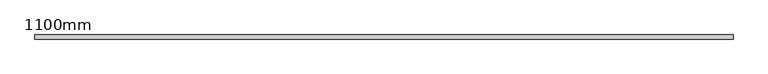
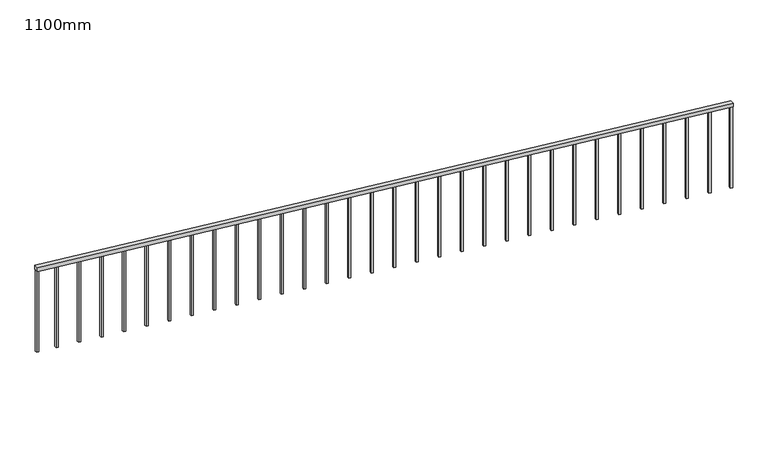
"""IFC4 building model written with IfcOpenShell, lengths in millimetres: railing geometry, 1100mm."""

from ifc_helpers import new_model, si_unit, frame, origin, place, context, project, spatial, polyline, outline, extrude, source, transform, mapped, element, save


def railing_1100mm_4eca1339(model_context):
    return source(origin(), model_context, "Body", "SweptSolid", [
        extrude(outline(polyline([(1049.7506219, -307210.1057122), (1100.0, -307210.1057122), (1950.0, -315710.1057122), (1899.7506219, -315710.1057122), (1049.7506219, -307210.1057122)])), frame((0.0, -95173.1605573, 0.0), z_axis=(0.0, 1.0, 0.0), x_axis=(0.0, 0.0, 1.0)), (0.0, 0.0, 1.0), 50.0),
        extrude(outline(polyline([(823.75, -315447.6057122), (1873.5006219, -315447.6057122), (1876.0006219, -315472.6057122), (826.25, -315472.6057122), (823.75, -315447.6057122)])), frame((0.0, -95160.6605573, 0.0), z_axis=(0.0, 1.0, 0.0), x_axis=(0.0, 0.0, 1.0)), (0.0, 0.0, 1.0), 25.0),
        extrude(outline(polyline([(796.25, -315172.6057122), (1846.0006219, -315172.6057122), (1848.5006219, -315197.6057122), (798.75, -315197.6057122), (796.25, -315172.6057122)])), frame((0.0, -95160.6605573, 0.0), z_axis=(0.0, 1.0, 0.0), x_axis=(0.0, 0.0, 1.0)), (0.0, 0.0, 1.0), 25.0),
        extrude(outline(polyline([(768.75, -314897.6057122), (1818.5006219, -314897.6057122), (1821.0006219, -314922.6057122), (771.25, -314922.6057122), (768.75, -314897.6057122)])), frame((0.0, -95160.6605573, 0.0), z_axis=(0.0, 1.0, 0.0), x_axis=(0.0, 0.0, 1.0)), (0.0, 0.0, 1.0), 25.0),
        extrude(outline(polyline([(741.25, -314622.6057122), (1791.0006219, -314622.6057122), (1793.5006219, -314647.6057122), (743.75, -314647.6057122), (741.25, -314622.6057122)])), frame((0.0, -95160.6605573, 0.0), z_axis=(0.0, 1.0, 0.0), x_axis=(0.0, 0.0, 1.0)), (0.0, 0.0, 1.0), 25.0),
        extrude(outline(polyline([(713.75, -314347.6057122), (1763.5006219, -314347.6057122), (1766.0006219, -314372.6057122), (716.25, -314372.6057122), (713.75, -314347.6057122)])), frame((0.0, -95160.6605573, 0.0), z_axis=(0.0, 1.0, 0.0), x_axis=(0.0, 0.0, 1.0)), (0.0, 0.0, 1.0), 25.0),
        extrude(outline(polyline([(686.25, -314072.6057122), (1736.0006219, -314072.6057122), (1738.5006219, -314097.6057122), (688.75, -314097.6057122), (686.25, -314072.6057122)])), frame((0.0, -95160.6605573, 0.0), z_axis=(0.0, 1.0, 0.0), x_axis=(0.0, 0.0, 1.0)), (0.0, 0.0, 1.0), 25.0),
        extrude(outline(polyline([(658.75, -313797.6057122), (1708.5006219, -313797.6057122), (1711.0006219, -313822.6057122), (661.25, -313822.6057122), (658.75, -313797.6057122)])), frame((0.0, -95160.6605573, 0.0), z_axis=(0.0, 1.0, 0.0), x_axis=(0.0, 0.0, 1.0)), (0.0, 0.0, 1.0), 25.0),
        extrude(outline(polyline([(631.25, -313522.6057122), (1681.0006219, -313522.6057122), (1683.5006219, -313547.6057122), (633.75, -313547.6057122), (631.25, -313522.6057122)])), frame((0.0, -95160.6605573, 0.0), z_axis=(0.0, 1.0, 0.0), x_axis=(0.0, 0.0, 1.0)), (0.0, 0.0, 1.0), 25.0),
        extrude(outline(polyline([(603.75, -313247.6057122), (1653.5006219, -313247.6057122), (1656.0006219, -313272.6057122), (606.25, -313272.6057122), (603.75, -313247.6057122)])), frame((0.0, -95160.6605573, 0.0), z_axis=(0.0, 1.0, 0.0), x_axis=(0.0, 0.0, 1.0)), (0.0, 0.0, 1.0), 25.0),
        extrude(outline(polyline([(576.25, -312972.6057122), (1626.0006219, -312972.6057122), (1628.5006219, -312997.6057122), (578.75, -312997.6057122), (576.25, -312972.6057122)])), frame((0.0, -95160.6605573, 0.0), z_axis=(0.0, 1.0, 0.0), x_axis=(0.0, 0.0, 1.0)), (0.0, 0.0, 1.0), 25.0),
        extrude(outline(polyline([(548.75, -312697.6057122), (1598.5006219, -312697.6057122), (1601.0006219, -312722.6057122), (551.25, -312722.6057122), (548.75, -312697.6057122)])), frame((0.0, -95160.6605573, 0.0), z_axis=(0.0, 1.0, 0.0), x_axis=(0.0, 0.0, 1.0)), (0.0, 0.0, 1.0), 25.0),
        extrude(outline(polyline([(521.25, -312422.6057122), (1571.0006219, -312422.6057122), (1573.5006219, -312447.6057122), (523.75, -312447.6057122), (521.25, -312422.6057122)])), frame((0.0, -95160.6605573, 0.0), z_axis=(0.0, 1.0, 0.0), x_axis=(0.0, 0.0, 1.0)), (0.0, 0.0, 1.0), 25.0),
        extrude(outline(polyline([(493.75, -312147.6057122), (1543.5006219, -312147.6057122), (1546.0006219, -312172.6057122), (496.25, -312172.6057122), (493.75, -312147.6057122)])), frame((0.0, -95160.6605573, 0.0), z_axis=(0.0, 1.0, 0.0), x_axis=(0.0, 0.0, 1.0)), (0.0, 0.0, 1.0), 25.0),
        extrude(outline(polyline([(466.25, -311872.6057122), (1516.0006219, -311872.6057122), (1518.5006219, -311897.6057122), (468.75, -311897.6057122), (466.25, -311872.6057122)])), frame((0.0, -95160.6605573, 0.0), z_axis=(0.0, 1.0, 0.0), x_axis=(0.0, 0.0, 1.0)), (0.0, 0.0, 1.0), 25.0),
        extrude(outline(polyline([(438.75, -311597.6057122), (1488.5006219, -311597.6057122), (1491.0006219, -311622.6057122), (441.25, -311622.6057122), (438.75, -311597.6057122)])), frame((0.0, -95160.6605573, 0.0), z_axis=(0.0, 1.0, 0.0), x_axis=(0.0, 0.0, 1.0)), (0.0, 0.0, 1.0), 25.0),
        extrude(outline(polyline([(411.25, -311322.6057122), (1461.0006219, -311322.6057122), (1463.5006219, -311347.6057122), (413.75, -311347.6057122), (411.25, -311322.6057122)])), frame((0.0, -95160.6605573, 0.0), z_axis=(0.0, 1.0, 0.0), x_axis=(0.0, 0.0, 1.0)), (0.0, 0.0, 1.0), 25.0),
        extrude(outline(polyline([(383.75, -311047.6057122), (1433.5006219, -311047.6057122), (1436.0006219, -311072.6057122), (386.25, -311072.6057122), (383.75, -311047.6057122)])), frame((0.0, -95160.6605573, 0.0), z_axis=(0.0, 1.0, 0.0), x_axis=(0.0, 0.0, 1.0)), (0.0, 0.0, 1.0), 25.0),
        extrude(outline(polyline([(356.25, -310772.6057122), (1406.0006219, -310772.6057122), (1408.5006219, -310797.6057122), (358.75, -310797.6057122), (356.25, -310772.6057122)])), frame((0.0, -95160.6605573, 0.0), z_axis=(0.0, 1.0, 0.0), x_axis=(0.0, 0.0, 1.0)), (0.0, 0.0, 1.0), 25.0),
        extrude(outline(polyline([(328.75, -310497.6057122), (1378.5006219, -310497.6057122), (1381.0006219, -310522.6057122), (331.25, -310522.6057122), (328.75, -310497.6057122)])), frame((0.0, -95160.6605573, 0.0), z_axis=(0.0, 1.0, 0.0), x_axis=(0.0, 0.0, 1.0)), (0.0, 0.0, 1.0), 25.0),
        extrude(outline(polyline([(301.25, -310222.6057122), (1351.0006219, -310222.6057122), (1353.5006219, -310247.6057122), (303.75, -310247.6057122), (301.25, -310222.6057122)])), frame((0.0, -95160.6605573, 0.0), z_axis=(0.0, 1.0, 0.0), x_axis=(0.0, 0.0, 1.0)), (0.0, 0.0, 1.0), 25.0),
        extrude(outline(polyline([(273.75, -309947.6057122), (1323.5006219, -309947.6057122), (1326.0006219, -309972.6057122), (276.25, -309972.6057122), (273.75, -309947.6057122)])), frame((0.0, -95160.6605573, 0.0), z_axis=(0.0, 1.0, 0.0), x_axis=(0.0, 0.0, 1.0)), (0.0, 0.0, 1.0), 25.0),
        extrude(outline(polyline([(246.25, -309672.6057122), (1296.0006219, -309672.6057122), (1298.5006219, -309697.6057122), (248.75, -309697.6057122), (246.25, -309672.6057122)])), frame((0.0, -95160.6605573, 0.0), z_axis=(0.0, 1.0, 0.0), x_axis=(0.0, 0.0, 1.0)), (0.0, 0.0, 1.0), 25.0),
        extrude(outline(polyline([(218.75, -309397.6057122), (1268.5006219, -309397.6057122), (1271.0006219, -309422.6057122), (221.25, -309422.6057122), (218.75, -309397.6057122)])), frame((0.0, -95160.6605573, 0.0), z_axis=(0.0, 1.0, 0.0), x_axis=(0.0, 0.0, 1.0)), (0.0, 0.0, 1.0), 25.0),
        extrude(outline(polyline([(191.25, -309122.6057122), (1241.0006219, -309122.6057122), (1243.5006219, -309147.6057122), (193.75, -309147.6057122), (191.25, -309122.6057122)])), frame((0.0, -95160.6605573, 0.0), z_axis=(0.0, 1.0, 0.0), x_axis=(0.0, 0.0, 1.0)), (0.0, 0.0, 1.0), 25.0),
        extrude(outline(polyline([(163.75, -308847.6057122), (1213.5006219, -308847.6057122), (1216.0006219, -308872.6057122), (166.25, -308872.6057122), (163.75, -308847.6057122)])), frame((0.0, -95160.6605573, 0.0), z_axis=(0.0, 1.0, 0.0), x_axis=(0.0, 0.0, 1.0)), (0.0, 0.0, 1.0), 25.0),
        extrude(outline(polyline([(136.25, -308572.6057122), (1186.0006219, -308572.6057122), (1188.5006219, -308597.6057122), (138.75, -308597.6057122), (136.25, -308572.6057122)])), frame((0.0, -95160.6605573, 0.0), z_axis=(0.0, 1.0, 0.0), x_axis=(0.0, 0.0, 1.0)), (0.0, 0.0, 1.0), 25.0),
        extrude(outline(polyline([(108.75, -308297.6057122), (1158.5006219, -308297.6057122), (1161.0006219, -308322.6057122), (111.25, -308322.6057122), (108.75, -308297.6057122)])), frame((0.0, -95160.6605573, 0.0), z_axis=(0.0, 1.0, 0.0), x_axis=(0.0, 0.0, 1.0)), (0.0, 0.0, 1.0), 25.0),
        extrude(outline(polyline([(81.25, -308022.6057122), (1131.0006219, -308022.6057122), (1133.5006219, -308047.6057122), (83.75, -308047.6057122), (81.25, -308022.6057122)])), frame((0.0, -95160.6605573, 0.0), z_axis=(0.0, 1.0, 0.0), x_axis=(0.0, 0.0, 1.0)), (0.0, 0.0, 1.0), 25.0),
        extrude(outline(polyline([(53.75, -307747.6057122), (1103.5006219, -307747.6057122), (1106.0006219, -307772.6057122), (56.25, -307772.6057122), (53.75, -307747.6057122)])), frame((0.0, -95160.6605573, 0.0), z_axis=(0.0, 1.0, 0.0), x_axis=(0.0, 0.0, 1.0)), (0.0, 0.0, 1.0), 25.0),
        extrude(outline(polyline([(26.25, -307472.6057122), (1076.0006219, -307472.6057122), (1078.5006219, -307497.6057122), (28.75, -307497.6057122), (26.25, -307472.6057122)])), frame((0.0, -95160.6605573, 0.0), z_axis=(0.0, 1.0, 0.0), x_axis=(0.0, 0.0, 1.0)), (0.0, 0.0, 1.0), 25.0),
        extrude(outline(polyline([(847.5, -315685.1057122), (1897.2506219, -315685.1057122), (1899.7506219, -315710.1057122), (850.0, -315710.1057122), (847.5, -315685.1057122)])), frame((0.0, -95160.6605573, 0.0), z_axis=(0.0, 1.0, 0.0), x_axis=(0.0, 0.0, 1.0)), (0.0, 0.0, 1.0), 25.0),
        extrude(outline(polyline([(0.0, -307210.1057122), (1049.7506219, -307210.1057122), (1052.2506219, -307235.1057122), (2.5, -307235.1057122), (0.0, -307210.1057122)])), frame((0.0, -95160.6605573, 0.0), z_axis=(0.0, 1.0, 0.0), x_axis=(0.0, 0.0, 1.0)), (0.0, 0.0, 1.0), 25.0),
    ])


if __name__ == "__main__":
    model = new_model("IFC4")
    model_context = context("Model", 3, world=origin())
    ifc_project = project(units=[si_unit("LENGTHUNIT", "METRE", prefix="MILLI")], contexts=[model_context])
    site = spatial("IfcSite", under=ifc_project)
    building = spatial("IfcBuilding", under=site)
    placement = place(None, origin())
    railing_1100mm_shape = railing_1100mm_4eca1339(model_context)
    element("IfcRailing", 1, ObjectType="1100mm", at=placement, inside=building, context=model_context, shape_type="MappedRepresentation", body=[
        mapped(railing_1100mm_shape, transform((0.0, 0.0, 0.0), x_axis=(1.0, 0.0, 0.0), y_axis=(0.0, 1.0, 0.0), z_axis=(0.0, 0.0, 1.0))),
    ])
    save(model, "model.ifc")
